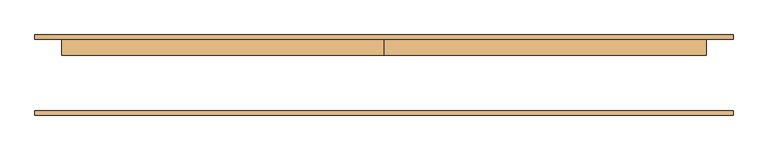
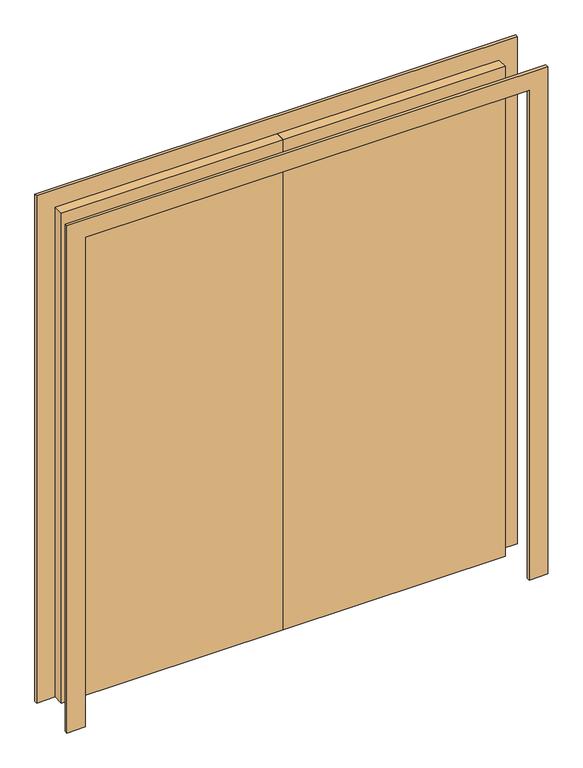
"""IFC4 building model written with IfcOpenShell, lengths in millimetres: door geometry."""

from ifc_helpers import new_model, si_unit, frame, origin, origin_with_axes, place, context, project, spatial, polyline, outline, extrude, source, transform, mapped, element, save


def door_e275c225(model_context):
    return source(origin(), model_context, "Body", "SweptSolid", [
        extrude(outline(polyline([(0.0, 101.6), (914.4, 101.6), (914.4, 57.15), (0.0, 57.15), (0.0, 101.6)])), origin_with_axes(), (0.0, 0.0, 1.0), 2133.6),
        extrude(outline(polyline([(-914.4, 101.6), (0.0, 101.6), (0.0, 57.15), (-914.4, 57.15), (-914.4, 101.6)])), origin_with_axes(), (0.0, 0.0, 1.0), 2133.6),
        extrude(outline(polyline([(2133.6, -914.4), (2133.6, 914.4), (0.0, 914.4), (0.0, 990.6), (2209.8, 990.6), (2209.8, -990.6), (0.0, -990.6), (0.0, -914.4), (2133.6, -914.4)])), frame((0.0, -114.3, 0.0), z_axis=(0.0, 1.0, 0.0), x_axis=(0.0, 0.0, 1.0)), (0.0, 0.0, 1.0), 12.7),
        extrude(outline(polyline([(2133.6, -914.4), (2133.6, 914.4), (0.0, 914.4), (0.0, 990.6), (2209.8, 990.6), (2209.8, -990.6), (0.0, -990.6), (0.0, -914.4), (2133.6, -914.4)])), frame((0.0, 101.6, 0.0), z_axis=(0.0, 1.0, 0.0), x_axis=(0.0, 0.0, 1.0)), (0.0, 0.0, 1.0), 12.7),
    ])


if __name__ == "__main__":
    model = new_model("IFC4")
    model_context = context("Model", 3, world=origin())
    ifc_project = project(units=[si_unit("LENGTHUNIT", "METRE", prefix="MILLI")], contexts=[model_context])
    site = spatial("IfcSite", under=ifc_project)
    building = spatial("IfcBuilding", under=site)
    placement = place(None, origin())
    door_shape = door_e275c225(model_context)
    element("IfcDoor", 1, at=placement, inside=building, context=model_context, shape_type="MappedRepresentation", body=[
        mapped(door_shape, transform((0.0, 0.0, 0.0), x_axis=(1.0, 0.0, 0.0), y_axis=(0.0, 1.0, 0.0), z_axis=(0.0, 0.0, 1.0))),
    ])
    save(model, "model.ifc")
